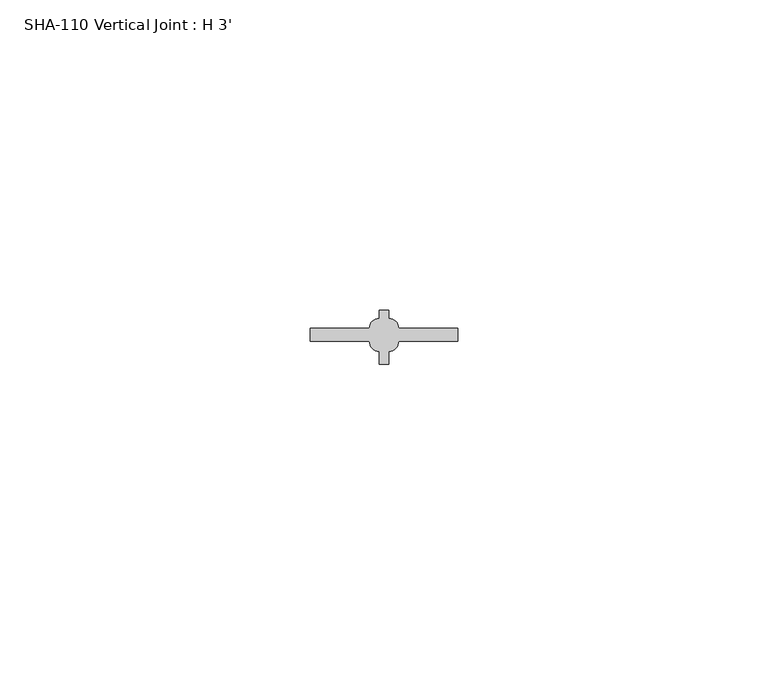
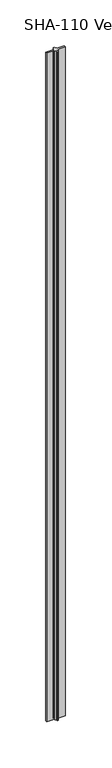
"""IFC4 building model written with IfcOpenShell, lengths in millimetres: proxy geometry, SHA-110 Vertical Joint : H 3'."""

from ifc_helpers import new_model, si_unit, point, frame_2d, origin, origin_with_axes, place, context, project, spatial, polyline, circle_curve, trimmed, segment, composite_curve, outline, extrude, source, transform, mapped, element, save


def sha_110_vertical_joint_h_3_5d434d87(model_context):
    return source(origin(), model_context, "Body", "SweptSolid", [
        extrude(outline(composite_curve([segment(polyline([(14.2494, 5.8293), (23.7744, 5.8293), (23.7744, 3.6957), (14.2494, 3.6957)]), True, "CONTINUOUS"), segment(trimmed(circle_curve(frame_2d((12.6746, 3.6957)), 1.5748), [point((14.2494, 3.6957))], [point((12.6746, 2.1209))], False, "CARTESIAN"), True, "CONTINUOUS"), segment(polyline([(12.6746, 2.1209), (12.6746, 0.0), (11.8872, 0.0), (11.0998, 0.0), (11.0998, 2.1209)]), True, "CONTINUOUS"), segment(trimmed(circle_curve(frame_2d((11.0998, 3.6957)), 1.5748), [point((11.0998, 2.1209))], [point((9.525, 3.6957))], False, "CARTESIAN"), True, "CONTINUOUS"), segment(polyline([(9.525, 3.6957), (0.0, 3.6957), (0.0, 5.8293), (9.525, 5.8293)]), True, "CONTINUOUS"), segment(trimmed(circle_curve(frame_2d((11.0998, 5.8293)), 1.5748), [point((9.525, 5.8293))], [point((11.0998, 7.4041))], False, "CARTESIAN"), True, "CONTINUOUS"), segment(polyline([(11.0998, 7.4041), (11.0998, 8.73125), (11.8872, 8.73125), (12.6746, 8.73125), (12.6746, 7.4041)]), True, "CONTINUOUS"), segment(trimmed(circle_curve(frame_2d((12.6746, 5.8293)), 1.5748), [point((12.6746, 7.4041))], [point((14.2494, 5.8293))], False, "CARTESIAN"), True, "CONTINUOUS")], self_intersect=False)), origin_with_axes(), (0.0, 0.0, 1.0), 914.4),
    ])


if __name__ == "__main__":
    model = new_model("IFC4")
    model_context = context("Model", 3, world=origin())
    ifc_project = project(units=[si_unit("LENGTHUNIT", "METRE", prefix="MILLI")], contexts=[model_context])
    site = spatial("IfcSite", under=ifc_project)
    building = spatial("IfcBuilding", under=site)
    placement = place(None, origin())
    sha_110_vertical_joint_h_3_shape = sha_110_vertical_joint_h_3_5d434d87(model_context)
    element("IfcBuildingElementProxy", 1, Name="SHA-110 Vertical Joint : H 3'", ObjectType="SHA-110 Vertical Joint : H 3'", at=placement, inside=building, context=model_context, shape_type="MappedRepresentation", body=[
        mapped(sha_110_vertical_joint_h_3_shape, transform((0.0, 0.0, 0.0), x_axis=(1.0, 0.0, 0.0), y_axis=(0.0, 1.0, 0.0), z_axis=(0.0, 0.0, 1.0))),
    ])
    save(model, "model.ifc")
